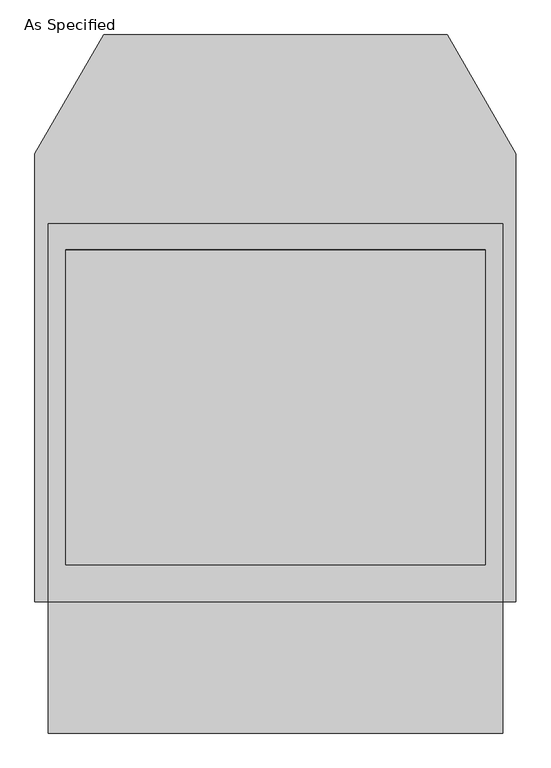
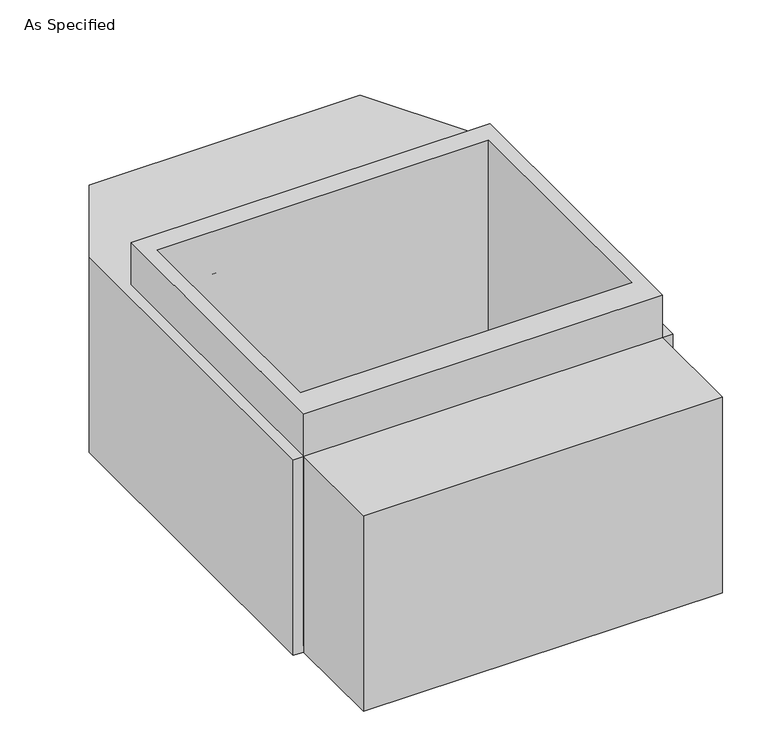
"""IFC4 building model written with IfcOpenShell, lengths in millimetres: proxy geometry, As Specified."""

import ifcopenshell
import ifcopenshell.guid

model = None  # the IFC model being written
_history = None  # IfcOwnerHistory: only IFC2X3 demands one
_inside = {}  # id of a spatial element -> (the spatial element, [elements in it])
_under = {}  # id of a project, library or spatial element -> (it, [spatial elements below it])
_declared = {}  # id of a project -> (the project, [libraries it declares])
_typed = {}  # id of a type object -> (the type object, [elements of that type])
_made_of = {}  # id of a material, layer set ... -> (it, [elements and type objects made of it])


def new_model(schema):
    """Start an empty IFC model of exactly this schema.

    Asked for "IFC4X3", IfcOpenShell would pick the latest addendum, in which some entities
    have other attributes; the version numbers below select the first issue.
    IFC2X3 requires an IfcOwnerHistory on every rooted entity: one is made here for all.
    """
    global model, _history
    if schema == "IFC4X3":
        model = ifcopenshell.file(schema_version=(4, 3, 0, 0))
    else:
        model = ifcopenshell.file(schema=schema)
    _inside.clear()
    _under.clear()
    _declared.clear()
    _typed.clear()
    _made_of.clear()
    _history = None
    if model.schema == "IFC2X3":
        org = make("IfcOrganization", Name="unknown")
        user = make(
            "IfcPersonAndOrganization",
            ThePerson=make("IfcPerson", FamilyName="unknown"),
            TheOrganization=org,
        )
        app = make(
            "IfcApplication",
            ApplicationDeveloper=org,
            Version="unknown",
            ApplicationFullName="unknown",
            ApplicationIdentifier="unknown",
        )
        _history = make(
            "IfcOwnerHistory",
            OwningUser=user,
            OwningApplication=app,
            ChangeAction="ADDED",
            CreationDate=0,
        )
    return model


def make(cls, **values):
    """One entity of the class cls with the attributes given. An attribute that is None is left unset."""
    return model.create_entity(
        cls, **{name: value for name, value in values.items() if value is not None}
    )


def rooted(cls, **values):
    """An entity with a GlobalId (a new one), such as an element, a storey or a relation."""
    return make(cls, GlobalId=ifcopenshell.guid.new(), OwnerHistory=_history, **values)


def si_unit(unit_type, name, prefix=None):
    """IfcSIUnit, for example si_unit("LENGTHUNIT", "METRE", prefix="MILLI")."""
    return make("IfcSIUnit", UnitType=unit_type, Prefix=prefix, Name=name)


def assignment(units):
    """IfcUnitAssignment: the units of a project."""
    return None if units is None else make("IfcUnitAssignment", Units=units)


def point(xyz):
    """IfcCartesianPoint."""
    return None if xyz is None else make("IfcCartesianPoint", Coordinates=xyz)


def direction(xyz):
    """IfcDirection."""
    return None if xyz is None else make("IfcDirection", DirectionRatios=xyz)


def frame(location, z_axis=None, x_axis=None):
    """IfcAxis2Placement3D, a coordinate frame: its origin and axes. An axis left out is left unset."""
    return make(
        "IfcAxis2Placement3D",
        Location=point(location),
        Axis=direction(z_axis),
        RefDirection=direction(x_axis),
    )


def origin():
    """The frame at (0, 0, 0) with its axes left unset."""
    return frame((0.0, 0.0, 0.0))


def place(relative_to, where):
    """IfcLocalPlacement: puts the frame where relative to a parent placement (None: the world)."""
    return make(
        "IfcLocalPlacement", PlacementRelTo=relative_to, RelativePlacement=where
    )


def context(
    kind, dimensions, precision=None, world=None, true_north=None, identifier=None
):
    """IfcGeometricRepresentationContext, for example the 3D "Model" context."""
    return make(
        "IfcGeometricRepresentationContext",
        ContextIdentifier=identifier,
        ContextType=kind,
        CoordinateSpaceDimension=dimensions,
        Precision=precision,
        WorldCoordinateSystem=world,
        TrueNorth=true_north,
    )


def project(units=None, contexts=None):
    """IfcProject with its units and contexts."""
    return rooted(
        "IfcProject",
        Name="project",
        RepresentationContexts=contexts,
        UnitsInContext=assignment(units),
    )


def spatial(cls, under=None, at=None, **own):
    """A site, building, storey or space (cls), placed at a placement, below another one or the project."""
    s = rooted(cls, ObjectPlacement=at, **own)
    if under is not None:
        _under.setdefault(under.id(), (under, []))[1].append(s)
    return s


def polyline(points):
    """IfcPolyline through the points."""
    return make("IfcPolyline", Points=[point(p) for p in points])


def outline(outer, holes=None, kind="AREA"):
    """IfcArbitraryClosedProfileDef: a profile drawn as a closed curve; with holes, ...WithVoids."""
    if holes is None:
        return make("IfcArbitraryClosedProfileDef", ProfileType=kind, OuterCurve=outer)
    return make(
        "IfcArbitraryProfileDefWithVoids",
        ProfileType=kind,
        OuterCurve=outer,
        InnerCurves=holes,
    )


def extrude(swept, where, along, depth):
    """IfcExtrudedAreaSolid: the profile swept, set in the frame where, extruded along a direction by depth."""
    return make(
        "IfcExtrudedAreaSolid",
        SweptArea=swept,
        Position=where,
        ExtrudedDirection=direction(along),
        Depth=depth,
    )


def faces_of(points, faces, orient=None, outer=None):
    """IfcFace entities. A face is a list of loops; a loop is a list of indices into points, from 0.

    orient and outer hold one flag for each loop. By default every Orientation is true, the
    first loop of a face is its IfcFaceOuterBound and the others are IfcFaceBound.
    """
    made = []
    for i, loops in enumerate(faces):
        bounds = []
        for j, loop in enumerate(loops):
            is_outer = j == 0 if outer is None else outer[i][j]
            bounds.append(
                make(
                    "IfcFaceOuterBound" if is_outer else "IfcFaceBound",
                    Bound=make("IfcPolyLoop", Polygon=[points[k] for k in loop]),
                    Orientation=True if orient is None else orient[i][j],
                )
            )
        made.append(make("IfcFace", Bounds=bounds))
    return made


def faceted_brep(points, faces, orient=None, outer=None, voids=None):
    """IfcFacetedBrep: a solid bounded by flat faces; with voids (closed shells), ...WithVoids."""
    shared = [point(p) for p in points]
    hull = make("IfcClosedShell", CfsFaces=faces_of(shared, faces, orient, outer))
    if voids is None:
        return make("IfcFacetedBrep", Outer=hull)
    return make(
        "IfcFacetedBrepWithVoids",
        Outer=hull,
        Voids=[
            make(cls, CfsFaces=faces_of(shared, fs, o, b)) for cls, fs, o, b in voids
        ],
    )


def shape(context_of_items, identifier, shape_type, items):
    """IfcShapeRepresentation: the items that make up one representation, for example the "Body"."""
    return make(
        "IfcShapeRepresentation",
        ContextOfItems=context_of_items,
        RepresentationIdentifier=identifier,
        RepresentationType=shape_type,
        Items=items,
    )


def source(mapping_origin, context_of_items, identifier, shape_type, items):
    """IfcRepresentationMap: a shape defined once, which mapped items show again and again."""
    return make(
        "IfcRepresentationMap",
        MappingOrigin=mapping_origin,
        MappedRepresentation=shape(context_of_items, identifier, shape_type, items),
    )


def transform(
    local_origin,
    x_axis=None,
    y_axis=None,
    z_axis=None,
    scale=None,
    scale2=None,
    scale3=None,
    uniform=True,
):
    """IfcCartesianTransformationOperator3D, or its non-uniform kind. x_axis, y_axis, z_axis: its Axis1, 2, 3."""
    if uniform:
        return make(
            "IfcCartesianTransformationOperator3D",
            Axis1=direction(x_axis),
            Axis2=direction(y_axis),
            LocalOrigin=point(local_origin),
            Scale=scale,
            Axis3=direction(z_axis),
        )
    return make(
        "IfcCartesianTransformationOperator3DnonUniform",
        Axis1=direction(x_axis),
        Axis2=direction(y_axis),
        LocalOrigin=point(local_origin),
        Scale=scale,
        Axis3=direction(z_axis),
        Scale2=scale2,
        Scale3=scale3,
    )


def mapped(mapping_source, mapping_target):
    """IfcMappedItem: shows the shape of a source again, moved by a transform."""
    return make(
        "IfcMappedItem", MappingSource=mapping_source, MappingTarget=mapping_target
    )


def made_of(thing, what):
    """Note that an element or type object is made of a material, layer set ...; save() writes the relation."""
    if what is not None:
        _made_of.setdefault(what.id(), (what, []))[1].append(thing)
    return thing


def element(
    cls,
    number,
    at=None,
    inside=None,
    cuts=None,
    type_object=None,
    material=None,
    context=None,
    identifier="Body",
    shape_type=None,
    held_by="IfcProductDefinitionShape",
    body=None,
    shapes=None,
    **own,
):
    """One element of the class cls, such as IfcWall. Its Tag is "e" and its number.

    at: its placement. inside: the storey or other place that contains it. cuts: it is an
    opening in that element (IfcRelVoidsElement). A single representation is given by context,
    identifier, shape_type and body (its items); several are given by shapes. held_by: the class
    of the entity that holds the representations. save() writes the other relations.
    """
    e = rooted(cls, Tag="e%d" % number, ObjectPlacement=at, **own)
    if body is not None:
        shapes = [shape(context, identifier, shape_type, body)]
    if shapes is not None:
        e.Representation = make(held_by, Representations=shapes)
    if inside is not None:
        _inside.setdefault(inside.id(), (inside, []))[1].append(e)
    if cuts is not None:
        rooted(
            "IfcRelVoidsElement", RelatingBuildingElement=cuts, RelatedOpeningElement=e
        )
    if type_object is not None:
        _typed.setdefault(type_object.id(), (type_object, []))[1].append(e)
    return made_of(e, material)


def aggregate(whole, parts):
    """IfcRelAggregates: a whole, such as a stair, and the parts it consists of."""
    return rooted("IfcRelAggregates", RelatingObject=whole, RelatedObjects=parts)


def save(model, path):
    """Write the relations noted so far, then the file.

    IfcRelAggregates (storeys below a building ...), IfcRelContainedInSpatialStructure (elements
    in a storey), IfcRelDefinesByType, IfcRelAssociatesMaterial and IfcRelDeclares: one each for
    every whole, place, type object, material and project.
    """
    for whole, parts in _under.values():
        aggregate(whole, parts)
    for where, things in _inside.values():
        rooted(
            "IfcRelContainedInSpatialStructure",
            RelatedElements=things,
            RelatingStructure=where,
        )
    for kind, things in _typed.values():
        rooted("IfcRelDefinesByType", RelatedObjects=things, RelatingType=kind)
    for what, things in _made_of.values():
        rooted("IfcRelAssociatesMaterial", RelatedObjects=things, RelatingMaterial=what)
    for by, libraries in _declared.values():
        rooted("IfcRelDeclares", RelatingContext=by, RelatedDefinitions=libraries)
    model.write(path)


def as_specified_c74ec6d7(model_context):
    return source(origin(), model_context, "Body", "SolidModel", [
        extrude(outline(polyline([(660.4, 465.4351562), (660.4, -633.1148438), (-660.4, -633.1148438), (-660.4, 465.4351562), (660.4, 465.4351562)]), holes=[polyline([(-609.6, 389.2748437), (-609.6, -525.1251563), (609.6, -525.1251563), (609.6, 389.2748437), (-609.6, 389.2748437)])]), frame((0.0, 0.0, -762.0), z_axis=(0.0, 0.0, 1.0), x_axis=(1.0, 0.0, 0.0)), (0.0, 0.0, 1.0), 901.7),
        faceted_brep([(660.4, -1014.1148438, -787.4), (-660.4, -1014.1148438, -787.4), (-660.4, -633.1148438, -787.4), (-698.5, -633.1148438, -787.4), (-698.5, 668.6748437, -787.4), (-499.060123, 1014.1148437, -787.4), (499.060123, 1014.1148437, -787.4), (698.5, 668.6748437, -787.4), (698.5, -633.1148438, -787.4), (660.4, -633.1148438, -787.4), (660.4, -1014.1148438, -25.4), (660.4, -633.1148438, -25.4), (698.5, -633.1148438, -25.4), (698.5, 668.6748437, -25.4), (499.060123, 1014.1148437, -25.4), (-499.060123, 1014.1148437, -25.4), (-698.5, 668.6748437, -25.4), (-698.5, -633.1148438, -25.4), (-660.4, -633.1148438, -25.4), (-660.4, -1014.1148438, -25.4), (609.6, 389.2748437, -25.4), (609.6, -525.1251563, -25.4), (-609.6, -525.1251563, -25.4), (-609.6, 389.2748437, -25.4), (609.6, 389.2748437, -762.0), (-609.6, 389.2748437, -762.0), (-609.6, -525.1251563, -762.0), (609.6, -525.1251563, -762.0)], [[[0, 1, 2, 3, 4, 5, 6, 7, 8, 9]], [[10, 11, 12, 13, 14, 15, 16, 17, 18, 19], [20, 21, 22, 23]], [[6, 5, 15, 14]], [[3, 17, 16, 4]], [[17, 3, 2, 18]], [[8, 12, 11, 9]], [[12, 8, 7, 13]], [[0, 9, 11, 10]], [[2, 1, 19, 18]], [[1, 0, 10, 19]], [[5, 4, 16, 15]], [[7, 6, 14, 13]], [[24, 25, 26, 27]], [[24, 27, 21, 20]], [[27, 26, 22, 21]], [[26, 25, 23, 22]], [[25, 24, 20, 23]]]),
    ])


if __name__ == "__main__":
    model = new_model("IFC4")
    model_context = context("Model", 3, world=origin())
    ifc_project = project(units=[si_unit("LENGTHUNIT", "METRE", prefix="MILLI")], contexts=[model_context])
    site = spatial("IfcSite", under=ifc_project)
    building = spatial("IfcBuilding", under=site)
    placement = place(None, origin())
    as_specified_shape = as_specified_c74ec6d7(model_context)
    element("IfcBuildingElementProxy", 1, Name="As Specified", ObjectType="As Specified", at=placement, inside=building, context=model_context, shape_type="MappedRepresentation", body=[
        mapped(as_specified_shape, transform((0.0, 0.0, 0.0), x_axis=(1.0, 0.0, 0.0), y_axis=(0.0, 1.0, 0.0), z_axis=(0.0, 0.0, 1.0))),
    ])
    save(model, "model.ifc")
